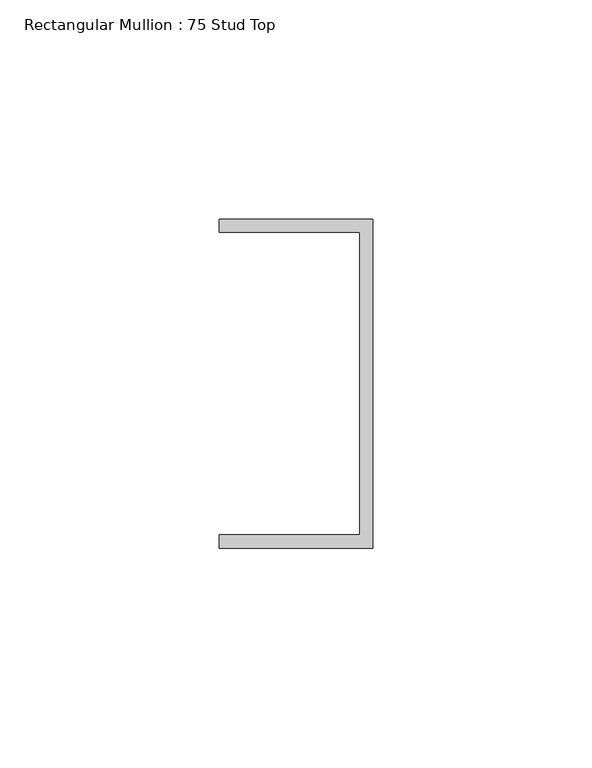
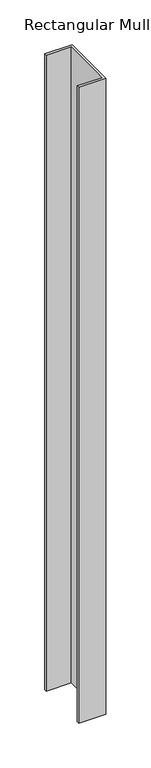
"""IFC4 building model written with IfcOpenShell, lengths in millimetres: member geometry, Rectangular Mullion : 75 Stud Top."""

import ifcopenshell
import ifcopenshell.guid

model = None  # the IFC model being written
_history = None  # IfcOwnerHistory: only IFC2X3 demands one
_inside = {}  # id of a spatial element -> (the spatial element, [elements in it])
_under = {}  # id of a project, library or spatial element -> (it, [spatial elements below it])
_declared = {}  # id of a project -> (the project, [libraries it declares])
_typed = {}  # id of a type object -> (the type object, [elements of that type])
_made_of = {}  # id of a material, layer set ... -> (it, [elements and type objects made of it])


def new_model(schema):
    """Start an empty IFC model of exactly this schema.

    Asked for "IFC4X3", IfcOpenShell would pick the latest addendum, in which some entities
    have other attributes; the version numbers below select the first issue.
    IFC2X3 requires an IfcOwnerHistory on every rooted entity: one is made here for all.
    """
    global model, _history
    if schema == "IFC4X3":
        model = ifcopenshell.file(schema_version=(4, 3, 0, 0))
    else:
        model = ifcopenshell.file(schema=schema)
    _inside.clear()
    _under.clear()
    _declared.clear()
    _typed.clear()
    _made_of.clear()
    _history = None
    if model.schema == "IFC2X3":
        org = make("IfcOrganization", Name="unknown")
        user = make(
            "IfcPersonAndOrganization",
            ThePerson=make("IfcPerson", FamilyName="unknown"),
            TheOrganization=org,
        )
        app = make(
            "IfcApplication",
            ApplicationDeveloper=org,
            Version="unknown",
            ApplicationFullName="unknown",
            ApplicationIdentifier="unknown",
        )
        _history = make(
            "IfcOwnerHistory",
            OwningUser=user,
            OwningApplication=app,
            ChangeAction="ADDED",
            CreationDate=0,
        )
    return model


def make(cls, **values):
    """One entity of the class cls with the attributes given. An attribute that is None is left unset."""
    return model.create_entity(
        cls, **{name: value for name, value in values.items() if value is not None}
    )


def rooted(cls, **values):
    """An entity with a GlobalId (a new one), such as an element, a storey or a relation."""
    return make(cls, GlobalId=ifcopenshell.guid.new(), OwnerHistory=_history, **values)


def si_unit(unit_type, name, prefix=None):
    """IfcSIUnit, for example si_unit("LENGTHUNIT", "METRE", prefix="MILLI")."""
    return make("IfcSIUnit", UnitType=unit_type, Prefix=prefix, Name=name)


def assignment(units):
    """IfcUnitAssignment: the units of a project."""
    return None if units is None else make("IfcUnitAssignment", Units=units)


def point(xyz):
    """IfcCartesianPoint."""
    return None if xyz is None else make("IfcCartesianPoint", Coordinates=xyz)


def direction(xyz):
    """IfcDirection."""
    return None if xyz is None else make("IfcDirection", DirectionRatios=xyz)


def frame(location, z_axis=None, x_axis=None):
    """IfcAxis2Placement3D, a coordinate frame: its origin and axes. An axis left out is left unset."""
    return make(
        "IfcAxis2Placement3D",
        Location=point(location),
        Axis=direction(z_axis),
        RefDirection=direction(x_axis),
    )


def origin():
    """The frame at (0, 0, 0) with its axes left unset."""
    return frame((0.0, 0.0, 0.0))


def place(relative_to, where):
    """IfcLocalPlacement: puts the frame where relative to a parent placement (None: the world)."""
    return make(
        "IfcLocalPlacement", PlacementRelTo=relative_to, RelativePlacement=where
    )


def context(
    kind, dimensions, precision=None, world=None, true_north=None, identifier=None
):
    """IfcGeometricRepresentationContext, for example the 3D "Model" context."""
    return make(
        "IfcGeometricRepresentationContext",
        ContextIdentifier=identifier,
        ContextType=kind,
        CoordinateSpaceDimension=dimensions,
        Precision=precision,
        WorldCoordinateSystem=world,
        TrueNorth=true_north,
    )


def project(units=None, contexts=None):
    """IfcProject with its units and contexts."""
    return rooted(
        "IfcProject",
        Name="project",
        RepresentationContexts=contexts,
        UnitsInContext=assignment(units),
    )


def spatial(cls, under=None, at=None, **own):
    """A site, building, storey or space (cls), placed at a placement, below another one or the project."""
    s = rooted(cls, ObjectPlacement=at, **own)
    if under is not None:
        _under.setdefault(under.id(), (under, []))[1].append(s)
    return s


def polyline(points):
    """IfcPolyline through the points."""
    return make("IfcPolyline", Points=[point(p) for p in points])


def outline(outer, holes=None, kind="AREA"):
    """IfcArbitraryClosedProfileDef: a profile drawn as a closed curve; with holes, ...WithVoids."""
    if holes is None:
        return make("IfcArbitraryClosedProfileDef", ProfileType=kind, OuterCurve=outer)
    return make(
        "IfcArbitraryProfileDefWithVoids",
        ProfileType=kind,
        OuterCurve=outer,
        InnerCurves=holes,
    )


def extrude(swept, where, along, depth):
    """IfcExtrudedAreaSolid: the profile swept, set in the frame where, extruded along a direction by depth."""
    return make(
        "IfcExtrudedAreaSolid",
        SweptArea=swept,
        Position=where,
        ExtrudedDirection=direction(along),
        Depth=depth,
    )


def shape(context_of_items, identifier, shape_type, items):
    """IfcShapeRepresentation: the items that make up one representation, for example the "Body"."""
    return make(
        "IfcShapeRepresentation",
        ContextOfItems=context_of_items,
        RepresentationIdentifier=identifier,
        RepresentationType=shape_type,
        Items=items,
    )


def source(mapping_origin, context_of_items, identifier, shape_type, items):
    """IfcRepresentationMap: a shape defined once, which mapped items show again and again."""
    return make(
        "IfcRepresentationMap",
        MappingOrigin=mapping_origin,
        MappedRepresentation=shape(context_of_items, identifier, shape_type, items),
    )


def transform(
    local_origin,
    x_axis=None,
    y_axis=None,
    z_axis=None,
    scale=None,
    scale2=None,
    scale3=None,
    uniform=True,
):
    """IfcCartesianTransformationOperator3D, or its non-uniform kind. x_axis, y_axis, z_axis: its Axis1, 2, 3."""
    if uniform:
        return make(
            "IfcCartesianTransformationOperator3D",
            Axis1=direction(x_axis),
            Axis2=direction(y_axis),
            LocalOrigin=point(local_origin),
            Scale=scale,
            Axis3=direction(z_axis),
        )
    return make(
        "IfcCartesianTransformationOperator3DnonUniform",
        Axis1=direction(x_axis),
        Axis2=direction(y_axis),
        LocalOrigin=point(local_origin),
        Scale=scale,
        Axis3=direction(z_axis),
        Scale2=scale2,
        Scale3=scale3,
    )


def mapped(mapping_source, mapping_target):
    """IfcMappedItem: shows the shape of a source again, moved by a transform."""
    return make(
        "IfcMappedItem", MappingSource=mapping_source, MappingTarget=mapping_target
    )


def made_of(thing, what):
    """Note that an element or type object is made of a material, layer set ...; save() writes the relation."""
    if what is not None:
        _made_of.setdefault(what.id(), (what, []))[1].append(thing)
    return thing


def element(
    cls,
    number,
    at=None,
    inside=None,
    cuts=None,
    type_object=None,
    material=None,
    context=None,
    identifier="Body",
    shape_type=None,
    held_by="IfcProductDefinitionShape",
    body=None,
    shapes=None,
    **own,
):
    """One element of the class cls, such as IfcWall. Its Tag is "e" and its number.

    at: its placement. inside: the storey or other place that contains it. cuts: it is an
    opening in that element (IfcRelVoidsElement). A single representation is given by context,
    identifier, shape_type and body (its items); several are given by shapes. held_by: the class
    of the entity that holds the representations. save() writes the other relations.
    """
    e = rooted(cls, Tag="e%d" % number, ObjectPlacement=at, **own)
    if body is not None:
        shapes = [shape(context, identifier, shape_type, body)]
    if shapes is not None:
        e.Representation = make(held_by, Representations=shapes)
    if inside is not None:
        _inside.setdefault(inside.id(), (inside, []))[1].append(e)
    if cuts is not None:
        rooted(
            "IfcRelVoidsElement", RelatingBuildingElement=cuts, RelatedOpeningElement=e
        )
    if type_object is not None:
        _typed.setdefault(type_object.id(), (type_object, []))[1].append(e)
    return made_of(e, material)


def aggregate(whole, parts):
    """IfcRelAggregates: a whole, such as a stair, and the parts it consists of."""
    return rooted("IfcRelAggregates", RelatingObject=whole, RelatedObjects=parts)


def save(model, path):
    """Write the relations noted so far, then the file.

    IfcRelAggregates (storeys below a building ...), IfcRelContainedInSpatialStructure (elements
    in a storey), IfcRelDefinesByType, IfcRelAssociatesMaterial and IfcRelDeclares: one each for
    every whole, place, type object, material and project.
    """
    for whole, parts in _under.values():
        aggregate(whole, parts)
    for where, things in _inside.values():
        rooted(
            "IfcRelContainedInSpatialStructure",
            RelatedElements=things,
            RelatingStructure=where,
        )
    for kind, things in _typed.values():
        rooted("IfcRelDefinesByType", RelatedObjects=things, RelatingType=kind)
    for what, things in _made_of.values():
        rooted("IfcRelAssociatesMaterial", RelatedObjects=things, RelatingMaterial=what)
    for by, libraries in _declared.values():
        rooted("IfcRelDeclares", RelatingContext=by, RelatedDefinitions=libraries)
    model.write(path)


def rectangular_mullion_75_stud_top_9d4464e2(model_context):
    return source(origin(), model_context, "Body", "SweptSolid", [
        extrude(outline(polyline([(17.5, 37.5), (17.5, -37.5), (-17.5, -37.5), (-17.5, -34.5), (14.5, -34.5), (14.5, 34.5), (-17.5, 34.5), (-17.5, 37.5), (17.5, 37.5)])), frame((0.0, 0.0, -865.0), z_axis=(0.0, 0.0, 1.0), x_axis=(1.0, 0.0, 0.0)), (0.0, 0.0, 1.0), 865.0),
    ])


if __name__ == "__main__":
    model = new_model("IFC4")
    model_context = context("Model", 3, world=origin())
    ifc_project = project(units=[si_unit("LENGTHUNIT", "METRE", prefix="MILLI")], contexts=[model_context])
    site = spatial("IfcSite", under=ifc_project)
    building = spatial("IfcBuilding", under=site)
    placement = place(None, origin())
    rectangular_mullion_75_stud_top_shape = rectangular_mullion_75_stud_top_9d4464e2(model_context)
    element("IfcMember", 1, ObjectType="Rectangular Mullion : 75 Stud Top", at=placement, inside=building, context=model_context, shape_type="MappedRepresentation", body=[
        mapped(rectangular_mullion_75_stud_top_shape, transform((0.0, 0.0, 0.0), x_axis=(1.0, 0.0, 0.0), y_axis=(0.0, 1.0, 0.0), z_axis=(0.0, 0.0, 1.0))),
    ])
    save(model, "model.ifc")
